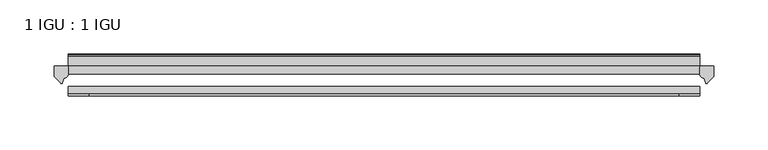
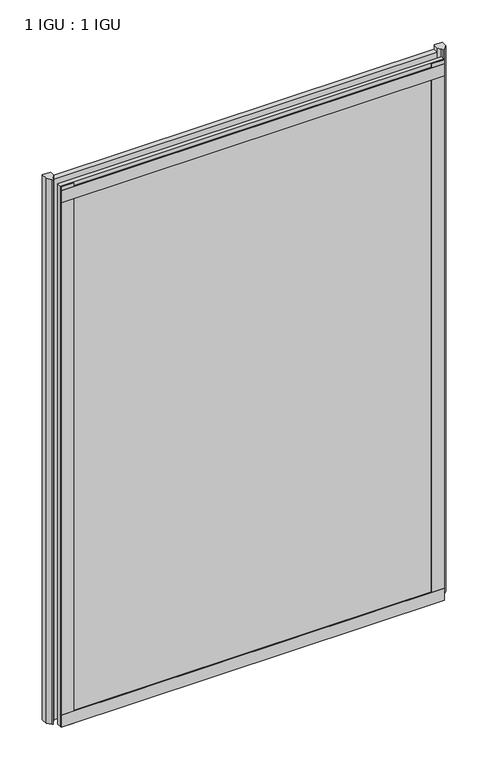
"""IFC4 building model written with IfcOpenShell, lengths in millimetres: plate geometry, 1 IGU : 1 IGU."""

from ifc_helpers import new_model, si_unit, point, frame, frame_2d, origin, place, context, project, spatial, polyline, circle_curve, trimmed, segment, composite_curve, outline, extrude, source, transform, mapped, element, save


def plate_1_igu_1_igu_4ae5373d(model_context):
    return source(origin(), model_context, "Body", "SweptSolid", [
        extrude(outline(polyline([(292.1, -11.6085937), (292.1, -18.8576359), (-292.1, -18.8576359), (-292.1, -11.6085937), (292.1, -11.6085937)])), frame((0.0, 0.0, -19.05), z_axis=(0.0, 0.0, 1.0), x_axis=(1.0, 0.0, 0.0)), (0.0, 0.0, 1.0), 869.9409101),
        extrude(outline(polyline([(-292.1, -30.7093937), (292.1, -30.7093937), (292.1, -37.0085937), (-292.1, -37.0085937), (-292.1, -30.7093937)])), frame((0.0, 0.0, -19.05), z_axis=(0.0, 0.0, 1.0), x_axis=(1.0, 0.0, 0.0)), (0.0, 0.0, 1.0), 869.9409101),
        extrude(outline(composite_curve([segment(polyline([(305.1779091, -11.6101465), (304.8, -21.3502133), (298.8619467, -27.6095865)]), True, "CONTINUOUS"), segment(trimmed(circle_curve(frame_2d((298.1891407, -27.2518492)), 0.762), [point((298.8619467, -27.6095865))], [point((297.4604364, -27.4746364))], False, "CARTESIAN"), True, "CONTINUOUS"), segment(polyline([(297.4604364, -27.4746364), (296.1986019, -23.3488397)]), True, "CONTINUOUS"), segment(trimmed(circle_curve(frame_2d((298.380559, -16.3834724)), 7.2991286), [point((296.1986019, -23.3488397))], [point((292.1001786, -20.1028944))], False, "CARTESIAN"), True, "CONTINUOUS"), segment(polyline([(292.1001786, -20.1028944), (292.1001786, -12.664425)]), True, "CONTINUOUS"), segment(trimmed(circle_curve(frame_2d((298.3814331, -16.3827796)), 7.2993369), [point((292.1001786, -12.664425))], [point((292.858545, -11.6101465))], False, "CARTESIAN"), True, "CONTINUOUS"), segment(polyline([(292.858545, -11.6101465), (305.1779091, -11.6101465)]), True, "CONTINUOUS")], self_intersect=False)), frame((0.0, 0.0, -19.05), z_axis=(0.0, 0.0, 1.0), x_axis=(1.0, 0.0, 0.0)), (0.0, 0.0, 1.0), 877.0783101),
        extrude(outline(composite_curve([segment(polyline([(-292.1, -11.610702), (-292.1, -20.1014769)]), True, "CONTINUOUS"), segment(trimmed(circle_curve(frame_2d((-298.3811943, -16.3829847)), 7.2993552), [point((-292.1, -20.1014769))], [point((-296.1989498, -23.3484994))], False, "CARTESIAN"), True, "CONTINUOUS"), segment(polyline([(-296.1989498, -23.3484994), (-297.4604364, -27.4746364)]), True, "CONTINUOUS"), segment(trimmed(circle_curve(frame_2d((-298.1891407, -27.2518492)), 0.762), [point((-297.4604364, -27.4746364))], [point((-298.8619467, -27.6095865))], False, "CARTESIAN"), True, "CONTINUOUS"), segment(polyline([(-298.8619467, -27.6095865), (-304.8, -21.3502133), (-305.1779091, -11.610702), (-292.1, -11.610702)]), True, "CONTINUOUS")], self_intersect=False)), frame((0.0, 0.0, -19.05), z_axis=(0.0, 0.0, 1.0), x_axis=(1.0, 0.0, 0.0)), (0.0, 0.0, 1.0), 877.0783101),
        extrude(outline(polyline([(-292.1, -39.2945937), (-292.1, -37.0085937), (292.1, -37.0085937), (292.1, -39.2945937), (-292.1, -39.2945937)])), frame((0.0, 0.0, -19.05), z_axis=(0.0, 0.0, 1.0), x_axis=(1.0, 0.0, 0.0)), (0.0, 0.0, 1.0), 19.05),
        extrude(outline(composite_curve([segment(trimmed(circle_curve(frame_2d((-2.5575611, 32.8538976)), 31.3272753), [point((-11.6085937, 2.8626158))], [point((-2.2024699, 1.5286348))], True, "CARTESIAN"), True, "CONTINUOUS"), segment(polyline([(-2.2024699, 1.5286348), (-2.2024699, 0.0), (-5.2585937, 0.0), (-5.2585937, -5.2345509), (-3.3544944, -5.5797863), (-5.2585937, -8.255), (-5.2585937, -11.471876)]), True, "CONTINUOUS"), segment(trimmed(circle_curve(frame_2d((-6.5285937, -11.471876)), 1.27), [point((-5.2585937, -11.471876))], [point((-7.4547667, -12.340843))], False, "CARTESIAN"), True, "CONTINUOUS"), segment(polyline([(-7.4547667, -12.340843), (-11.6085937, -7.9135609), (-11.6085937, 2.8626158)]), True, "CONTINUOUS")], self_intersect=False)), frame((-292.1, 0.0, 0.0), z_axis=(1.0, 0.0, 0.0), x_axis=(0.0, 1.0, 0.0)), (0.0, 0.0, 1.0), 584.2),
        extrude(outline(composite_curve([segment(polyline([(-3.0995937, 840.8103314), (-3.0995937, 838.7783314), (-5.2585937, 838.7783314), (-5.2585937, 833.4443314), (-1.5755937, 833.4443314), (-1.5755937, 830.3963314), (-5.2585937, 830.3963314), (-5.2585937, 825.5703314), (-0.5298657, 826.2349108), (-0.4061408, 825.3545625)]), True, "CONTINUOUS"), segment(trimmed(circle_curve(frame_2d((-1.4122531, 825.2131626)), 1.016), [point((-0.4061408, 825.3545625))], [point((-1.2708533, 824.2070502))], False, "CARTESIAN"), True, "CONTINUOUS"), segment(polyline([(-1.2708533, 824.2070502), (-11.6085937, 822.7541756), (-11.6085937, 840.8103314), (-3.0995937, 840.8103314)]), True, "CONTINUOUS")], self_intersect=False)), frame((-292.1, 0.0, 0.0), z_axis=(1.0, 0.0, 0.0), x_axis=(0.0, 1.0, 0.0)), (0.0, 0.0, 1.0), 584.2),
        extrude(outline(polyline([(-292.1, -39.2945937), (-292.1, -37.0085937), (292.1, -37.0085937), (292.1, -39.2945937), (-292.1, -39.2945937)])), frame((0.0, 0.0, 825.4909101), z_axis=(0.0, 0.0, 1.0), x_axis=(1.0, 0.0, 0.0)), (0.0, 0.0, 1.0), 19.05),
        extrude(outline(polyline([(273.05, -37.0085937), (292.1, -37.0085937), (292.1, -39.2945938), (273.05, -39.2945938), (273.05, -37.0085937)])), frame((0.0, 0.0, -19.05), z_axis=(0.0, 0.0, 1.0), x_axis=(1.0, 0.0, 0.0)), (0.0, 0.0, 1.0), 869.9409101),
        extrude(outline(polyline([(-292.1, -39.2945937), (-292.1, -37.0085937), (-273.05, -37.0085937), (-273.05, -39.2945937), (-292.1, -39.2945937)])), frame((0.0, 0.0, -19.05), z_axis=(0.0, 0.0, 1.0), x_axis=(1.0, 0.0, 0.0)), (0.0, 0.0, 1.0), 869.9409101),
    ])


if __name__ == "__main__":
    model = new_model("IFC4")
    model_context = context("Model", 3, world=origin())
    ifc_project = project(units=[si_unit("LENGTHUNIT", "METRE", prefix="MILLI")], contexts=[model_context])
    site = spatial("IfcSite", under=ifc_project)
    building = spatial("IfcBuilding", under=site)
    placement = place(None, origin())
    plate_1_igu_1_igu_shape = plate_1_igu_1_igu_4ae5373d(model_context)
    element("IfcPlate", 1, ObjectType="1 IGU : 1 IGU", at=placement, inside=building, context=model_context, shape_type="MappedRepresentation", body=[
        mapped(plate_1_igu_1_igu_shape, transform((0.0, 0.0, 0.0), x_axis=(1.0, 0.0, 0.0), y_axis=(0.0, 1.0, 0.0), z_axis=(0.0, 0.0, 1.0))),
    ])
    save(model, "model.ifc")
